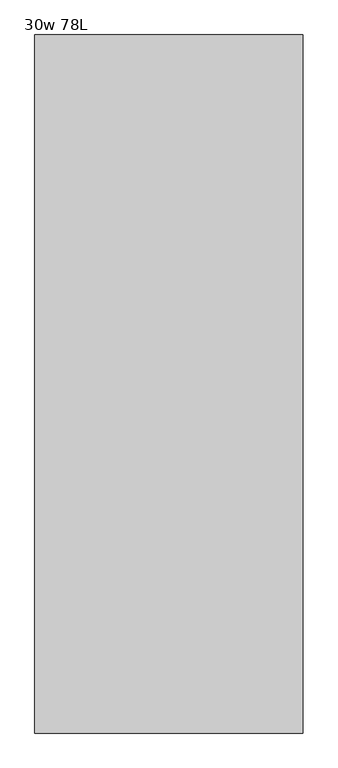
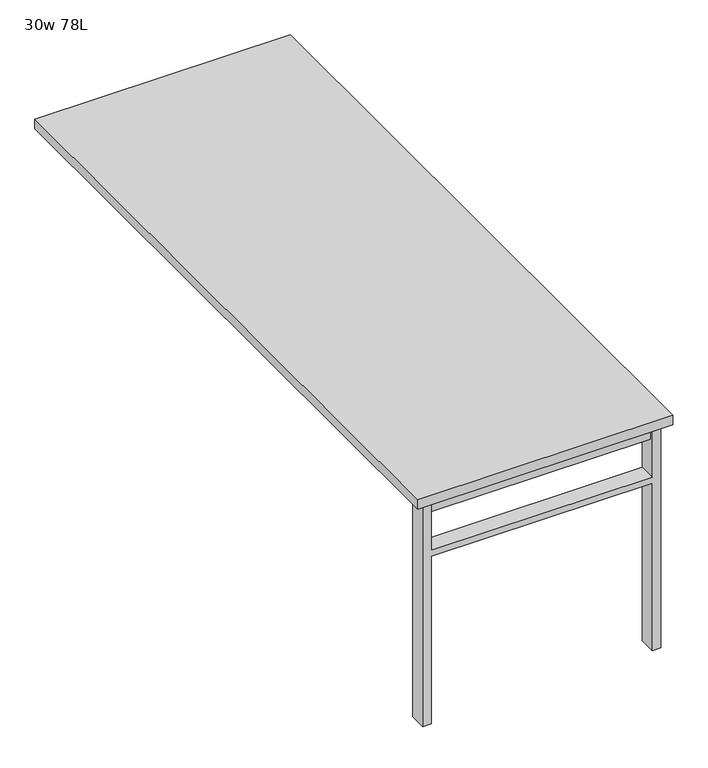
"""IFC4 building model written with IfcOpenShell, lengths in millimetres: furniture geometry, 30w 78L."""

from ifc_helpers import new_model, si_unit, frame, origin, place, context, project, spatial, polyline, outline, extrude, source, transform, mapped, element, save


def furniture_30w_78l_a4840f68(model_context):
    return source(origin(), model_context, "Body", "SweptSolid", [
        extrude(outline(polyline([(-330.2, -930.275), (330.2, -930.275), (330.2, -962.025), (-330.2, -962.025), (-330.2, -930.275)])), frame((0.0, 0.0, 661.9875), z_axis=(0.0, 0.0, 1.0), x_axis=(1.0, 0.0, 0.0)), (0.0, 0.0, 1.0), 44.45),
        extrude(outline(polyline([(528.6375, 330.2), (0.0, 330.2), (0.0, 355.6), (706.4375, 355.6), (706.4375, 330.2), (547.6875, 330.2), (547.6875, -330.2), (706.4375, -330.2), (706.4375, -355.6), (0.0, -355.6), (0.0, -330.2), (528.6375, -330.2), (528.6375, 330.2)])), frame((0.0, -971.55, 0.0), z_axis=(0.0, 1.0, 0.0), x_axis=(0.0, 0.0, 1.0)), (0.0, 0.0, 1.0), 50.8),
        extrude(outline(polyline([(-381.0, -990.6), (-381.0, 990.6), (381.0, 990.6), (381.0, -990.6), (-381.0, -990.6)])), frame((0.0, 0.0, 706.4375), z_axis=(0.0, 0.0, 1.0), x_axis=(1.0, 0.0, 0.0)), (0.0, 0.0, 1.0), 30.1625),
    ])


if __name__ == "__main__":
    model = new_model("IFC4")
    model_context = context("Model", 3, world=origin())
    ifc_project = project(units=[si_unit("LENGTHUNIT", "METRE", prefix="MILLI")], contexts=[model_context])
    site = spatial("IfcSite", under=ifc_project)
    building = spatial("IfcBuilding", under=site)
    placement = place(None, origin())
    furniture_30w_78l_shape = furniture_30w_78l_a4840f68(model_context)
    element("IfcFurniture", 1, ObjectType="30w 78L", at=placement, inside=building, context=model_context, shape_type="MappedRepresentation", body=[
        mapped(furniture_30w_78l_shape, transform((0.0, 0.0, 0.0), x_axis=(1.0, 0.0, 0.0), y_axis=(0.0, 1.0, 0.0), z_axis=(0.0, 0.0, 1.0))),
    ])
    save(model, "model.ifc")
